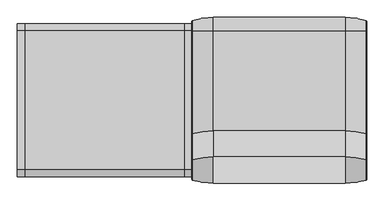
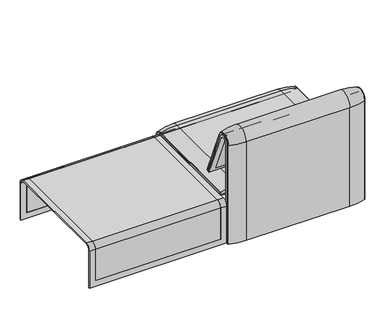
"""IFC4 building model written with IfcOpenShell, lengths in millimetres: furniture geometry."""

from ifc_helpers import new_model, si_unit, point, frame, frame_2d, origin, place, context, project, spatial, polyline, circle_curve, ellipse_curve, trimmed, segment, composite_curve, outline, extrude, source, transform, mapped, element, save
from ifc_brep_helpers import plane_surface, cylinder_surface, revolved_surface, advanced_brep


def furniture_4f3b5b6c(model_context):
    return source(origin(), model_context, "Body", "SolidModel", [
        advanced_brep(
        [(407.9906244, -295.0, 359.922434), (1223.9718733, -295.0, 359.922434), (1223.9718733, -295.0, 366.172434), (407.9906244, -295.0, 366.172434), (407.9906244, 357.5, 333.0583003), (442.8906244, 357.5, 333.0583003), (442.8906244, 357.5, 135.3766997), (1189.0718733, 357.5, 135.3766997), (1189.0718733, 357.5, 333.0583003), (1223.9718733, 357.5, 333.0583003), (1223.9718733, 357.5, 100.5089435), (407.9906244, 357.5, 100.5089435), (407.9906244, 323.7517936, 359.922434), (442.8906244, 323.7517936, 359.922434), (442.8906244, -260.0, 359.922434), (1189.0718733, -260.0, 359.922434), (1189.0718733, 323.7517936, 359.922434), (1223.9718733, 323.7517936, 359.922434), (1189.0718733, 351.0, 135.3766997), (1189.0718733, 351.0, 332.6742277), (1189.0718733, -260.0, 366.172434), (1189.0718733, 324.3858663, 366.172434), (442.8906244, -260.0, 366.172434), (407.9906244, 324.3858663, 366.172434), (407.9906244, 351.0, 100.5089435), (407.9906244, 351.0, 332.6742277), (1223.9718733, 351.0, 332.6742277), (1223.9718733, 351.0, 100.5089435), (1223.9718733, 324.3858663, 366.172434), (442.8906244, 324.3858663, 366.172434), (442.8906244, 351.0, 135.3766997), (442.8906244, 351.0, 332.6742277)],
        [
            (0, 1),
            (1, 2),
            (2, 3),
            (3, 0),
            (4, 5),
            (5, 6),
            (6, 7),
            (7, 8),
            (8, 9),
            (9, 10),
            (10, 11),
            (11, 4),
            (12, 13),
            (13, 14),
            (14, 15),
            (15, 16),
            (16, 17),
            (17, 1),
            (0, 12),
            (18, 19),
            (19, 16, circle_curve(frame((1189.0718733, 323.7517936, 332.6742277), z_axis=(1.0, 0.0, 0.0), x_axis=(0.0, 1.0, 0.0)), 27.2482064)),
            (15, 20),
            (20, 21),
            (21, 8, circle_curve(frame((1189.0718733, 324.3858663, 333.0583003), z_axis=(-1.0, 0.0, 0.0), x_axis=(0.0, 1.0, 0.0)), 33.1141337)),
            (7, 18),
            (22, 20),
            (14, 22),
            (3, 23),
            (23, 4, circle_curve(frame((407.9906244, 324.3858663, 333.0583003), z_axis=(-1.0, 0.0, 0.0), x_axis=(0.0, 1.0, 0.0)), 33.1141337)),
            (11, 24),
            (24, 25),
            (25, 12, circle_curve(frame((407.9906244, 323.7517936, 332.6742277), z_axis=(1.0, 0.0, 0.0), x_axis=(0.0, 1.0, 0.0)), 27.2482064)),
            (17, 26, circle_curve(frame((1223.9718733, 323.7517936, 332.6742277), z_axis=(-1.0, 0.0, 0.0), x_axis=(0.0, 1.0, 0.0)), 27.2482064)),
            (26, 27),
            (27, 10),
            (9, 28, circle_curve(frame((1223.9718733, 324.3858663, 333.0583003), z_axis=(1.0, 0.0, 0.0), x_axis=(0.0, 1.0, 0.0)), 33.1141337)),
            (28, 2),
            (28, 21),
            (22, 29),
            (29, 23),
            (29, 5, circle_curve(frame((442.8906244, 324.3858663, 333.0583003), z_axis=(-1.0, 0.0, 0.0), x_axis=(0.0, 1.0, 0.0)), 33.1141337)),
            (27, 24),
            (26, 19),
            (18, 30),
            (30, 31),
            (31, 25),
            (31, 13, circle_curve(frame((442.8906244, 323.7517936, 332.6742277), z_axis=(1.0, 0.0, 0.0), x_axis=(0.0, 1.0, 0.0)), 27.2482064)),
            (30, 6),
        ],
        [
            plane_surface(frame((407.9906244, -295.0, 366.172434), z_axis=(0.0, -1.0, 0.0), x_axis=(1.0, 0.0, 0.0))),
            plane_surface(frame((407.9906244, 357.5, 100.5089435), z_axis=(0.0, 1.0, 0.0), x_axis=(1.0, 0.0, 0.0))),
            plane_surface(frame((407.9906244, -295.0, 359.922434), z_axis=(0.0, 0.0, -1.0), x_axis=(1.0, 0.0, 0.0))),
            plane_surface(frame((1189.0718733, 296.9265415, 359.922434), z_axis=(-1.0, 0.0, 0.0), x_axis=(0.0, -1.0, 0.0))),
            plane_surface(frame((442.8906244, -260.0, 366.172434), z_axis=(0.0, 1.0, 0.0), x_axis=(1.0, 0.0, 0.0))),
            plane_surface(frame((407.9906244, 296.9265415, 359.922434), z_axis=(-1.0, 0.0, 0.0), x_axis=(0.0, 1.0, 0.0))),
            plane_surface(frame((1223.9718733, 296.9265415, 359.922434), z_axis=(1.0, 0.0, 0.0), x_axis=(0.0, -1.0, 0.0))),
            plane_surface(frame((407.9906244, 324.3858663, 366.172434), z_axis=(0.0, 0.0, 1.0), x_axis=(1.0, 0.0, 0.0))),
            cylinder_surface(frame((1223.9718733, 324.3858663, 333.0583003), z_axis=(-1.0, 0.0, 0.0), x_axis=(0.0, 1.0, 0.0)), 33.1141337),
            plane_surface(frame((407.9906244, 351.0, 100.5089435), z_axis=(0.0, 0.0, -1.0), x_axis=(1.0, 0.0, 0.0))),
            plane_surface(frame((407.9906244, 351.0, 332.6742277), z_axis=(0.0, -1.0, 0.0), x_axis=(1.0, 0.0, 0.0))),
            revolved_surface(polyline([(442.8906244, 351.0, 332.6742277), (407.9906244, 351.0, 332.6742277)]), (1223.9718733, 323.7517936, 332.6742277), (1.0, 0.0, 0.0)),
            revolved_surface(polyline([(1223.9718733, 351.0, 332.6742277), (1189.0718733, 351.0, 332.6742277)]), (1223.9718733, 323.7517936, 332.6742277), (1.0, 0.0, 0.0)),
            plane_surface(frame((442.8906244, 296.9265415, 359.922434), z_axis=(1.0, 0.0, 0.0), x_axis=(0.0, 1.0, 0.0))),
            plane_surface(frame((442.8906244, 351.0, 135.3766997), z_axis=(0.0, 0.0, 1.0), x_axis=(1.0, 0.0, 0.0))),
        ],
        [
            (0, [[1, 2, 3, 4]]),
            (1, [[5, 6, 7, 8, 9, 10, 11, 12]]),
            (2, [[13, 14, 15, 16, 17, 18, -1, 19]]),
            (3, [[20, 21, -16, 22, 23, 24, -8, 25]]),
            (4, [[26, -22, -15, 27]]),
            (5, [[-4, 28, 29, -12, 30, 31, 32, -19]]),
            (6, [[-18, 33, 34, 35, -10, 36, 37, -2]]),
            (7, [[-3, -37, 38, -23, -26, 39, 40, -28]]),
            (8, [[-40, 41, -5, -29]]),
            (8, [[-9, -24, -38, -36]]),
            (9, [[-11, -35, 42, -30]]),
            (10, [[-42, -34, 43, -20, 44, 45, 46, -31]]),
            (11, [[-46, 47, -13, -32]]),
            (12, [[-17, -21, -43, -33]]),
            (13, [[-14, -47, -45, 48, -6, -41, -39, -27]]),
            (14, [[-44, -25, -7, -48]]),
        ],
    ),
        extrude(outline(composite_curve([segment(polyline([(-260.0, 359.922434), (-260.0, 366.172434), (324.3858663, 366.172434)]), True, "CONTINUOUS"), segment(trimmed(circle_curve(frame_2d((324.3858663, 333.0583003)), 33.1141337), [point((324.3858663, 366.172434))], [point((357.5, 333.0583003))], False, "CARTESIAN"), True, "CONTINUOUS"), segment(polyline([(357.5, 333.0583003), (357.5, 135.3766997), (351.0, 135.3766997), (351.0, 332.6742277)]), True, "CONTINUOUS"), segment(trimmed(circle_curve(frame_2d((323.7517936, 332.6742277)), 27.2482064), [point((351.0, 332.6742277))], [point((323.7517936, 359.922434))], True, "CARTESIAN"), True, "CONTINUOUS"), segment(polyline([(323.7517936, 359.922434), (-260.0, 359.922434)]), True, "CONTINUOUS")], self_intersect=False)), frame((442.8906244, 0.0, 0.0), z_axis=(1.0, 0.0, 0.0), x_axis=(0.0, 1.0, 0.0)), (0.0, 0.0, 1.0), 746.1812488),
        advanced_brep(
        [(407.9906244, 368.7793679, 100.5089435), (410.1292529, 371.6530483, 100.5089435), (507.9906244, 386.0043559, 100.5089435), (1123.9718733, 386.0043559, 100.5089435), (1221.8332448, 371.6530483, 100.5089435), (1223.9718733, 368.7793679, 100.5089435), (1223.9718733, 357.5, 100.5089435), (407.9906244, 357.5, 100.5089435), (407.9906244, -295.0, 377.4518019), (407.9906244, -295.0, 366.172434), (1223.9718733, -295.0, 366.172434), (1223.9718733, -295.0, 377.4518019), (1221.8332448, -295.0, 380.3254823), (1123.9718733, -295.0, 394.67679), (507.9906244, -295.0, 394.67679), (410.1292529, -295.0, 380.3254823), (407.9906244, 357.5, 333.0583003), (407.9906244, 324.3858663, 366.172434), (407.9906244, 324.3858663, 377.4518019), (407.9906244, 368.7793679, 333.0583003), (1223.9718733, 357.5, 333.0583003), (507.9906244, 386.0043559, 333.0583003), (1123.9718733, 386.0043559, 333.0583003), (410.1292529, 371.6530483, 333.0583003), (1223.9718733, 324.3858663, 366.172434), (507.9906244, 324.3858663, 394.67679), (1123.9718733, 324.3858663, 394.67679), (410.1292529, 324.3858663, 380.3254823), (1223.9718733, 368.7793679, 333.0583003), (1223.9718733, 324.3858663, 377.4518019), (1221.8332448, 371.6530483, 333.0583003), (1221.8332448, 324.3858663, 380.3254823)],
        [
            (0, 1, circle_curve(frame((410.9906244, 368.7793679, 100.5089435), z_axis=(0.0, 0.0, -1.0), x_axis=(1.0, 0.0, 0.0)), 3.0)),
            (1, 2, circle_curve(frame((507.9906244, 45.1710226, 100.5089435), z_axis=(0.0, 0.0, -1.0), x_axis=(0.0, -1.0, 0.0)), 340.8333333)),
            (2, 3),
            (3, 4, circle_curve(frame((1123.9718733, 45.1710226, 100.5089435), z_axis=(0.0, 0.0, -1.0), x_axis=(0.0, -1.0, 0.0)), 340.8333333)),
            (4, 5, circle_curve(frame((1220.9718733, 368.7793679, 100.5089435), z_axis=(0.0, 0.0, -1.0), x_axis=(-1.0, 0.0, 0.0)), 3.0)),
            (5, 6),
            (6, 7),
            (7, 0),
            (8, 9),
            (9, 10),
            (10, 11),
            (11, 12, circle_curve(frame((1220.9718733, -295.0, 377.4518019), z_axis=(0.0, -1.0, 0.0), x_axis=(-1.0, 0.0, 0.0)), 3.0)),
            (12, 13, circle_curve(frame((1123.9718733, -295.0, 53.8434566), z_axis=(0.0, -1.0, 0.0), x_axis=(0.0, 0.0, -1.0)), 340.8333333)),
            (13, 14),
            (14, 15, circle_curve(frame((507.9906244, -295.0, 53.8434566), z_axis=(0.0, -1.0, 0.0), x_axis=(0.0, 0.0, -1.0)), 340.8333333)),
            (15, 8, circle_curve(frame((410.9906244, -295.0, 377.4518019), z_axis=(0.0, -1.0, 0.0), x_axis=(1.0, 0.0, 0.0)), 3.0)),
            (7, 16),
            (16, 17, circle_curve(frame((407.9906244, 324.3858663, 333.0583003), z_axis=(1.0, 0.0, 0.0), x_axis=(0.0, 1.0, 0.0)), 33.1141337)),
            (17, 9),
            (8, 18),
            (18, 19, circle_curve(frame((407.9906244, 324.3858663, 333.0583003), z_axis=(-1.0, 0.0, 0.0), x_axis=(0.0, 1.0, 0.0)), 44.3935016)),
            (19, 0),
            (6, 20),
            (20, 16),
            (2, 21),
            (21, 22),
            (22, 3),
            (1, 23),
            (23, 21, circle_curve(frame((507.9906244, 45.1710226, 333.0583003), z_axis=(0.0, 0.0, -1.0), x_axis=(0.0, -1.0, 0.0)), 340.8333333)),
            (19, 23, circle_curve(frame((410.9906244, 368.7793679, 333.0583003), z_axis=(0.0, 0.0, -1.0), x_axis=(1.0, 0.0, 0.0)), 3.0)),
            (24, 17),
            (20, 24, circle_curve(frame((1223.9718733, 324.3858663, 333.0583003), z_axis=(1.0, 0.0, 0.0), x_axis=(0.0, 1.0, 0.0)), 33.1141337)),
            (25, 26),
            (26, 22, circle_curve(frame((1123.9718733, 324.3858663, 333.0583003), z_axis=(-1.0, 0.0, 0.0), x_axis=(0.0, 1.0, 0.0)), 61.6184897)),
            (21, 25, circle_curve(frame((507.9906244, 324.3858663, 333.0583003), z_axis=(1.0, 0.0, 0.0), x_axis=(0.0, 1.0, 0.0)), 61.6184897)),
            (27, 25, circle_curve(frame((507.9906244, 324.3858663, 53.8434566), z_axis=(0.0, 1.0, 0.0), x_axis=(0.0, 0.0, -1.0)), 340.8333333)),
            (23, 27, circle_curve(frame((410.1292529, 324.3858663, 333.0583003), z_axis=(1.0, 0.0, 0.0), x_axis=(0.0, 1.0, 0.0)), 47.267182)),
            (18, 27, circle_curve(frame((410.9906244, 324.3858663, 377.4518019), z_axis=(0.0, 1.0, 0.0), x_axis=(1.0, 0.0, 0.0)), 3.0)),
            (24, 10),
            (25, 14),
            (13, 26),
            (27, 15),
            (5, 28),
            (28, 29, circle_curve(frame((1223.9718733, 324.3858663, 333.0583003), z_axis=(1.0, 0.0, 0.0), x_axis=(0.0, 1.0, 0.0)), 44.3935016)),
            (29, 11),
            (4, 30),
            (30, 28, circle_curve(frame((1220.9718733, 368.7793679, 333.0583003), z_axis=(0.0, 0.0, -1.0), x_axis=(-1.0, 0.0, 0.0)), 3.0)),
            (22, 30, circle_curve(frame((1123.9718733, 45.1710226, 333.0583003), z_axis=(0.0, 0.0, -1.0), x_axis=(0.0, -1.0, 0.0)), 340.8333333)),
            (31, 29, circle_curve(frame((1220.9718733, 324.3858663, 377.4518019), z_axis=(0.0, 1.0, 0.0), x_axis=(-1.0, 0.0, 0.0)), 3.0)),
            (30, 31, circle_curve(frame((1221.8332448, 324.3858663, 333.0583003), z_axis=(1.0, 0.0, 0.0), x_axis=(0.0, 1.0, 0.0)), 47.267182)),
            (26, 31, circle_curve(frame((1123.9718733, 324.3858663, 53.8434566), z_axis=(0.0, 1.0, 0.0), x_axis=(0.0, 0.0, -1.0)), 340.8333333)),
            (31, 12),
        ],
        [
            plane_surface(frame((407.9906244, 357.5, 100.5089435), z_axis=(0.0, 0.0, -1.0), x_axis=(1.0, 0.0, 0.0))),
            plane_surface(frame((407.9906244, -295.0, 366.172434), z_axis=(0.0, -1.0, 0.0), x_axis=(1.0, 0.0, 0.0))),
            plane_surface(frame((407.9906244, 368.7793679, 100.5089435), z_axis=(-1.0, 0.0, 0.0), x_axis=(0.0, 0.0, 1.0))),
            plane_surface(frame((407.9906244, 357.5, 100.5089435), z_axis=(0.0, -1.0, 0.0), x_axis=(0.0, 0.0, 1.0))),
            plane_surface(frame((1123.9718733, 386.0043559, 100.5089435), z_axis=(0.0, 1.0, 0.0), x_axis=(0.0, 0.0, 1.0))),
            cylinder_surface(frame((507.9906244, 45.1710226, 100.5089435), z_axis=(0.0, 0.0, -1.0), x_axis=(0.0, -1.0, 0.0)), 340.8333333),
            cylinder_surface(frame((410.9906244, 368.7793679, 100.5089435), z_axis=(0.0, 0.0, -1.0), x_axis=(1.0, 0.0, 0.0)), 3.0),
            revolved_surface(polyline([(407.9906244, 357.5, 333.0583003), (1223.9718733, 357.5, 333.0583003)]), (407.9906244, 324.3858663, 333.0583003), (-1.0, 0.0, 0.0)),
            cylinder_surface(frame((407.9906244, 324.3858663, 333.0583003), z_axis=(-1.0, 0.0, 0.0), x_axis=(0.0, 1.0, 0.0)), 61.6184897),
            revolved_surface(trimmed(ellipse_curve(frame((507.9906244, 45.1710226, 333.0583003), z_axis=(0.0, 0.0, 1.0), x_axis=(0.0, -1.0, 0.0)), 340.8333333, 340.8333333), [point((507.9906244, 386.0043559, 333.0583003))], [point((410.1292529, 371.6530483, 333.0583003))], True, "CARTESIAN"), (407.9906244, 324.3858663, 333.0583003), (-1.0, 0.0, 0.0)),
            revolved_surface(trimmed(ellipse_curve(frame((410.9906244, 368.7793679, 333.0583003), z_axis=(0.0, 0.0, 1.0), x_axis=(1.0, 0.0, 0.0)), 3.0, 3.0), [point((410.1292529, 371.6530483, 333.0583003))], [point((407.9906244, 368.7793679, 333.0583003))], True, "CARTESIAN"), (407.9906244, 324.3858663, 333.0583003), (-1.0, 0.0, 0.0)),
            plane_surface(frame((407.9906244, 324.3858663, 366.172434), z_axis=(0.0, 0.0, -1.0), x_axis=(0.0, -1.0, 0.0))),
            plane_surface(frame((1123.9718733, 324.3858663, 394.67679), z_axis=(0.0, 0.0, 1.0), x_axis=(0.0, -1.0, 0.0))),
            cylinder_surface(frame((507.9906244, 324.3858663, 53.8434566), z_axis=(0.0, 1.0, 0.0), x_axis=(0.0, 0.0, -1.0)), 340.8333333),
            cylinder_surface(frame((410.9906244, 324.3858663, 377.4518019), z_axis=(0.0, 1.0, 0.0), x_axis=(1.0, 0.0, 0.0)), 3.0),
            plane_surface(frame((1223.9718733, 357.5, 100.5089435), z_axis=(1.0, 0.0, 0.0), x_axis=(0.0, 0.0, 1.0))),
            cylinder_surface(frame((1220.9718733, 368.7793679, 100.5089435), z_axis=(0.0, 0.0, -1.0), x_axis=(-1.0, 0.0, 0.0)), 3.0),
            cylinder_surface(frame((1123.9718733, 45.1710226, 100.5089435), z_axis=(0.0, 0.0, -1.0), x_axis=(0.0, -1.0, 0.0)), 340.8333333),
            revolved_surface(trimmed(ellipse_curve(frame((1220.9718733, 368.7793679, 333.0583003), z_axis=(0.0, 0.0, 1.0), x_axis=(-1.0, 0.0, 0.0)), 3.0, 3.0), [point((1223.9718733, 368.7793679, 333.0583003))], [point((1221.8332448, 371.6530483, 333.0583003))], True, "CARTESIAN"), (407.9906244, 324.3858663, 333.0583003), (-1.0, 0.0, 0.0)),
            revolved_surface(trimmed(ellipse_curve(frame((1123.9718733, 45.1710226, 333.0583003), z_axis=(0.0, 0.0, 1.0), x_axis=(0.0, -1.0, 0.0)), 340.8333333, 340.8333333), [point((1221.8332448, 371.6530483, 333.0583003))], [point((1123.9718733, 386.0043559, 333.0583003))], True, "CARTESIAN"), (407.9906244, 324.3858663, 333.0583003), (-1.0, 0.0, 0.0)),
            cylinder_surface(frame((1220.9718733, 324.3858663, 377.4518019), z_axis=(0.0, 1.0, 0.0), x_axis=(-1.0, 0.0, 0.0)), 3.0),
            cylinder_surface(frame((1123.9718733, 324.3858663, 53.8434566), z_axis=(0.0, 1.0, 0.0), x_axis=(0.0, 0.0, -1.0)), 340.8333333),
        ],
        [
            (0, [[1, 2, 3, 4, 5, 6, 7, 8]]),
            (1, [[9, 10, 11, 12, 13, 14, 15, 16]]),
            (2, [[17, 18, 19, -9, 20, 21, 22, -8]]),
            (3, [[23, 24, -17, -7]]),
            (4, [[25, 26, 27, -3]]),
            (5, [[28, 29, -25, -2]]),
            (6, [[-22, 30, -28, -1]]),
            (7, [[31, -18, -24, 32]]),
            (8, [[33, 34, -26, 35]]),
            (9, [[36, -35, -29, 37]]),
            (10, [[38, -37, -30, -21]]),
            (11, [[39, -10, -19, -31]]),
            (12, [[40, -14, 41, -33]]),
            (13, [[42, -15, -40, -36]]),
            (14, [[-20, -16, -42, -38]]),
            (15, [[43, 44, 45, -11, -39, -32, -23, -6]]),
            (16, [[46, 47, -43, -5]]),
            (17, [[-27, 48, -46, -4]]),
            (18, [[49, -44, -47, 50]]),
            (19, [[51, -50, -48, -34]]),
            (20, [[52, -12, -45, -49]]),
            (21, [[-41, -13, -52, -51]]),
        ],
    ),
        advanced_brep(
        [(1189.0718733, -176.0980387, 452.25948), (442.8906244, -176.0980387, 452.25948), (442.8906244, -181.0136548, 450.2250668), (1189.0718733, -181.0136548, 450.2250668), (1223.9884174, -351.0000061, 101.8476716), (408.0071685, -351.0000061, 101.8476716), (408.0071685, -351.0000061, 712.9272623), (442.8906244, -351.0000061, 712.9272623), (442.8906244, -351.0000061, 135.3766997), (1189.0718733, -351.0000061, 135.3766997), (1189.0718733, -351.0000061, 712.9272623), (1223.9884174, -351.0000061, 712.9272623), (1223.9884174, -296.2720241, 723.9759107), (1223.9884174, -175.0204081, 435.9866665), (1223.9884174, -170.1966807, 437.98305), (1223.9884174, -292.4403877, 733.7122262), (1223.9884174, -359.7858817, 720.3417731), (1223.9884174, -359.7858817, 101.8476716), (408.0071685, -359.7858817, 101.8476716), (408.0071685, -359.7858817, 720.3417731), (408.0071685, -292.4403877, 733.7122262), (408.0071685, -170.1966807, 437.98305), (408.0071685, -175.0204081, 435.9866665), (408.0071685, -296.2458652, 723.9869215), (442.8906244, -292.4403877, 733.7122262), (1189.0718733, -292.4403877, 733.7122262), (1189.0718733, -296.2458652, 723.9869215), (442.8906244, -296.2458652, 723.9869215), (1189.0718733, -359.7858817, 720.3417731), (1189.0718733, -359.7858817, 135.3766997), (442.8906244, -359.7858817, 135.3766997), (442.8906244, -359.7858817, 720.3417731)],
        [
            (0, 1),
            (1, 2),
            (2, 3),
            (3, 0),
            (4, 5),
            (5, 6),
            (6, 7),
            (7, 8),
            (8, 9),
            (9, 10),
            (10, 11),
            (11, 4),
            (11, 12, circle_curve(frame((1223.9884174, -322.520748, 712.9272623), z_axis=(-1.0, 0.0, 0.0), x_axis=(0.0, 1.0, 0.0)), 28.479258)),
            (12, 13),
            (13, 14),
            (14, 15),
            (15, 16, circle_curve(frame((1223.9884174, -324.7858817, 720.3417731), z_axis=(1.0, 0.0, 0.0), x_axis=(0.0, 1.0, 0.0)), 35.0)),
            (16, 17),
            (17, 4),
            (5, 18),
            (18, 19),
            (19, 20, circle_curve(frame((408.0071685, -324.7858817, 720.3417731), z_axis=(-1.0, 0.0, 0.0), x_axis=(0.0, 1.0, 0.0)), 35.0)),
            (20, 21),
            (21, 22),
            (22, 23),
            (23, 6, circle_curve(frame((408.0071685, -322.520748, 712.9272623), z_axis=(1.0, 0.0, 0.0), x_axis=(0.0, 1.0, 0.0)), 28.479258)),
            (14, 21),
            (20, 24),
            (24, 1),
            (0, 25),
            (25, 15),
            (13, 22),
            (12, 26),
            (26, 3),
            (2, 27),
            (27, 23),
            (17, 18),
            (16, 28),
            (28, 29),
            (29, 30),
            (30, 31),
            (31, 19),
            (31, 24, circle_curve(frame((442.8906244, -324.7858817, 720.3417731), z_axis=(-1.0, 0.0, 0.0), x_axis=(0.0, 1.0, 0.0)), 35.0)),
            (25, 28, circle_curve(frame((1189.0718733, -324.7858817, 720.3417731), z_axis=(1.0, 0.0, 0.0), x_axis=(0.0, 1.0, 0.0)), 35.0)),
            (27, 7, circle_curve(frame((442.8906244, -322.520748, 712.9272623), z_axis=(1.0, 0.0, 0.0), x_axis=(0.0, 1.0, 0.0)), 28.479258)),
            (10, 26, circle_curve(frame((1189.0718733, -322.520748, 712.9272623), z_axis=(-1.0, 0.0, 0.0), x_axis=(0.0, 1.0, 0.0)), 28.479258)),
            (9, 29),
            (30, 8),
        ],
        [
            plane_surface(frame((1189.0718733, -166.9120641, 456.0612553), z_axis=(0.0, -0.38241039441982605, 0.9239925812687422), x_axis=(-1.0, 0.0, 0.0))),
            plane_surface(frame((1223.9884174, -351.0000061, 712.9272623), z_axis=(0.0, 1.0, 0.0), x_axis=(-1.0, 0.0, 0.0))),
            plane_surface(frame((1223.9884174, -359.7858817, 101.8476716), z_axis=(1.0, 0.0, 0.0), x_axis=(0.0, -1.0, 0.0))),
            plane_surface(frame((408.0071685, -359.7858817, 101.8476716), z_axis=(-1.0, 0.0, 0.0), x_axis=(0.0, 1.0, 0.0))),
            plane_surface(frame((1223.9884174, -292.4403877, 733.7122262), z_axis=(0.0, 0.9241569717933176, 0.3820129467515535), x_axis=(-1.0, 0.0, 0.0))),
            plane_surface(frame((1223.9884174, -170.1966807, 437.98305), z_axis=(0.0, 0.38241039441983893, -0.9239925812687368), x_axis=(-1.0, 0.0, 0.0))),
            plane_surface(frame((1223.9884174, -175.0204081, 435.9866665), z_axis=(0.0, -0.921678643444566, -0.3879542218073993), x_axis=(-1.0, 0.0, 0.0))),
            plane_surface(frame((1223.9884174, -351.0000061, 101.8476716), z_axis=(0.0, 0.0, -1.0), x_axis=(-1.0, 0.0, 0.0))),
            plane_surface(frame((1223.9884174, -359.7858817, 101.8476716), z_axis=(0.0, -1.0, 0.0), x_axis=(-1.0, 0.0, 0.0))),
            cylinder_surface(frame((408.0071685, -324.7858817, 720.3417731), z_axis=(1.0, 0.0, 0.0), x_axis=(0.0, 1.0, 0.0)), 35.0),
            revolved_surface(polyline([(408.0071685, -294.04149, 712.9272623), (442.8906244, -294.04149, 712.9272623)]), (408.0071685, -322.520748, 712.9272623), (-1.0, 0.0, 0.0)),
            revolved_surface(polyline([(1189.0718733, -294.04149, 712.9272623), (1223.9884174, -294.04149, 712.9272623)]), (408.0071685, -322.520748, 712.9272623), (-1.0, 0.0, 0.0)),
            plane_surface(frame((1189.0718733, -359.7858817, 135.3766997), z_axis=(-1.0, 0.0, 0.0), x_axis=(0.0, -1.0, 0.0))),
            plane_surface(frame((442.8906244, -359.7858817, 135.3766997), z_axis=(1.0, 0.0, 0.0), x_axis=(0.0, 1.0, 0.0))),
            plane_surface(frame((1189.0718733, -344.7858817, 135.3766997), z_axis=(0.0, 0.0, 1.0), x_axis=(-1.0, 0.0, 0.0))),
        ],
        [
            (0, [[1, 2, 3, 4]]),
            (1, [[5, 6, 7, 8, 9, 10, 11, 12]]),
            (2, [[-12, 13, 14, 15, 16, 17, 18, 19]]),
            (3, [[20, 21, 22, 23, 24, 25, 26, -6]]),
            (4, [[27, -23, 28, 29, -1, 30, 31, -16]]),
            (5, [[32, -24, -27, -15]]),
            (6, [[33, 34, -3, 35, 36, -25, -32, -14]]),
            (7, [[37, -20, -5, -19]]),
            (8, [[38, 39, 40, 41, 42, -21, -37, -18]]),
            (9, [[-42, 43, -28, -22]]),
            (9, [[-31, 44, -38, -17]]),
            (10, [[-36, 45, -7, -26]]),
            (11, [[-11, 46, -33, -13]]),
            (12, [[-34, -46, -10, 47, -39, -44, -30, -4]]),
            (13, [[-8, -45, -35, -2, -29, -43, -41, 48]]),
            (14, [[-9, -48, -40, -47]]),
        ],
    ),
        advanced_brep(
        [(442.8906244, -351.0000061, 135.3766997), (442.8906244, -359.7858817, 135.3766997), (442.8906244, -359.7858817, 720.3417731), (442.8906244, -292.4403877, 733.7122262), (442.8906244, -176.0980387, 452.25948), (442.8906244, -181.0136548, 450.2250668), (442.8906244, -296.2458652, 723.9869215), (442.8906244, -351.0000061, 712.9272623), (1189.0718733, -176.0980387, 452.25948), (1189.0718733, -292.4403877, 733.7122262), (1189.0718733, -181.0136548, 450.2250668), (1189.0718733, -296.2458652, 723.9869215), (1189.0718733, -351.0000061, 135.3766997), (1189.0718733, -351.0000061, 712.9272623), (1189.0718733, -359.7858817, 720.3417731), (1189.0718733, -359.7858817, 135.3766997)],
        [
            (0, 1),
            (1, 2),
            (2, 3, circle_curve(frame((442.8906244, -324.7858817, 720.3417731), z_axis=(-1.0, 0.0, 0.0), x_axis=(0.0, 1.0, 0.0)), 35.0)),
            (3, 4),
            (4, 5),
            (5, 6),
            (6, 7, circle_curve(frame((442.8906244, -322.520748, 712.9272623), z_axis=(1.0, 0.0, 0.0), x_axis=(0.0, 1.0, 0.0)), 28.479258)),
            (7, 0),
            (8, 4),
            (3, 9),
            (9, 8),
            (10, 5),
            (8, 10),
            (11, 6),
            (10, 11),
            (12, 0),
            (7, 13),
            (13, 12),
            (13, 11, circle_curve(frame((1189.0718733, -322.520748, 712.9272623), z_axis=(-1.0, 0.0, 0.0), x_axis=(0.0, 1.0, 0.0)), 28.479258)),
            (9, 14, circle_curve(frame((1189.0718733, -324.7858817, 720.3417731), z_axis=(1.0, 0.0, 0.0), x_axis=(0.0, 1.0, 0.0)), 35.0)),
            (14, 15),
            (15, 12),
            (15, 1),
            (14, 2),
        ],
        [
            plane_surface(frame((442.8906244, -359.7858817, 135.3766997), z_axis=(-1.0, 0.0, 0.0), x_axis=(0.0, 1.0, 0.0))),
            plane_surface(frame((1189.0718733, -292.4403877, 733.7122262), z_axis=(0.0, 0.9241569717933176, 0.3820129467515535), x_axis=(-1.0, 0.0, 0.0))),
            plane_surface(frame((1189.0718733, -176.0980387, 452.25948), z_axis=(0.0, 0.38241039441982716, -0.9239925812687417), x_axis=(-1.0, 0.0, 0.0))),
            plane_surface(frame((1189.0718733, -181.0136548, 450.2250668), z_axis=(0.0, -0.921678643444566, -0.3879542218073993), x_axis=(-1.0, 0.0, 0.0))),
            plane_surface(frame((1189.0718733, -351.0000061, 712.9272623), z_axis=(0.0, 1.0, 0.0), x_axis=(-1.0, 0.0, 0.0))),
            plane_surface(frame((1189.0718733, -359.7858817, 135.3766997), z_axis=(1.0, 0.0, 0.0), x_axis=(0.0, -1.0, 0.0))),
            plane_surface(frame((1189.0718733, -351.0000061, 135.3766997), z_axis=(0.0, 0.0, -1.0), x_axis=(-1.0, 0.0, 0.0))),
            plane_surface(frame((1189.0718733, -359.7858817, 135.3766997), z_axis=(0.0, -1.0, 0.0), x_axis=(-1.0, 0.0, 0.0))),
            cylinder_surface(frame((442.8906244, -324.7858817, 720.3417731), z_axis=(1.0, 0.0, 0.0), x_axis=(0.0, 1.0, 0.0)), 35.0),
            revolved_surface(polyline([(442.8906244, -294.04149, 712.9272623), (1189.0718733, -294.04149, 712.9272623)]), (442.8906244, -322.520748, 712.9272623), (-1.0, 0.0, 0.0)),
        ],
        [
            (0, [[1, 2, 3, 4, 5, 6, 7, 8]]),
            (1, [[9, -4, 10, 11]]),
            (2, [[12, -5, -9, 13]]),
            (3, [[14, -6, -12, 15]]),
            (4, [[16, -8, 17, 18]]),
            (5, [[-18, 19, -15, -13, -11, 20, 21, 22]]),
            (6, [[23, -1, -16, -22]]),
            (7, [[24, -2, -23, -21]]),
            (8, [[-10, -3, -24, -20]]),
            (9, [[-17, -7, -14, -19]]),
        ],
    ),
        extrude(outline(composite_curve([segment(polyline([(-305.0000061, 349.9223263), (-285.0000061, 349.9223263)]), True, "CONTINUOUS"), segment(trimmed(circle_curve(frame_2d((-285.0000061, 359.9223263)), 10.0), [point((-285.0000061, 349.9223263))], [point((-275.0000061, 359.9223263))], True, "CARTESIAN"), True, "CONTINUOUS"), segment(polyline([(-275.0000061, 359.9223263), (-270.0000061, 359.9223263), (-270.0000061, 299.9223263), (-309.4476, 299.9223263)]), True, "CONTINUOUS"), segment(trimmed(circle_curve(frame_2d((-309.4476, 269.9223263)), 30.0), [point((-309.4476, 299.9223263))], [point((-339.4064861, 271.492405))], True, "CARTESIAN"), True, "CONTINUOUS"), segment(polyline([(-339.4064861, 271.492405), (-343.3075759, 197.0551771), (-351.0000061, 197.0551771), (-351.0000061, 712.9272623)]), True, "CONTINUOUS"), segment(trimmed(circle_curve(frame_2d((-322.520748, 712.9272623)), 28.479258), [point((-351.0000061, 712.9272623))], [point((-296.3054528, 724.0549949))], False, "CARTESIAN"), True, "CONTINUOUS"), segment(polyline([(-296.3054528, 724.0549949), (-213.7507451, 529.5682915), (-222.2725218, 526.5505721), (-238.0355877, 560.3545758)]), True, "CONTINUOUS"), segment(trimmed(circle_curve(frame_2d((-251.6302045, 554.0153019)), 15.0), [point((-238.0355877, 560.3545758))], [point((-257.4911714, 567.8228747))], True, "CARTESIAN"), True, "CONTINUOUS"), segment(polyline([(-257.4911714, 567.8228747), (-316.7219399, 542.6809051)]), True, "CONTINUOUS"), segment(trimmed(circle_curve(frame_2d((-305.0000061, 515.0657595)), 30.0), [point((-316.7219399, 542.6809051))], [point((-335.0000061, 515.0657595))], True, "CARTESIAN"), True, "CONTINUOUS"), segment(polyline([(-335.0000061, 515.0657595), (-335.0000061, 379.9223263)]), True, "CONTINUOUS"), segment(trimmed(circle_curve(frame_2d((-305.0000061, 379.9223263)), 30.0), [point((-335.0000061, 379.9223263))], [point((-305.0000061, 349.9223263))], True, "CARTESIAN"), True, "CONTINUOUS")], self_intersect=False), holes=[composite_curve([segment(trimmed(circle_curve(frame_2d((-319.9867182, 576.3274105)), 17.5132879), [point((-337.5000061, 576.3274105))], [point((-314.1406626, 559.8186587))], True, "CARTESIAN"), True, "CONTINUOUS"), segment(polyline([(-314.1406626, 559.8186587), (-265.0756376, 577.1934953)]), True, "CONTINUOUS"), segment(trimmed(circle_curve(frame_2d((-271.7517748, 596.0463251)), 20.0), [point((-265.0756376, 577.1934953))], [point((-253.6256191, 604.4986904))], True, "CARTESIAN"), True, "CONTINUOUS"), segment(polyline([(-253.6256191, 604.4986904), (-308.9053893, 723.0465402)]), True, "CONTINUOUS"), segment(trimmed(circle_curve(frame_2d((-322.5000061, 716.7072663)), 15.0), [point((-308.9053893, 723.0465402))], [point((-337.5000061, 716.7072663))], True, "CARTESIAN"), True, "CONTINUOUS"), segment(polyline([(-337.5000061, 716.7072663), (-337.5000061, 576.3274105)]), True, "CONTINUOUS")], self_intersect=False)]), frame((1060.9760457, 0.0, 0.0), z_axis=(1.0, 0.0, 0.0), x_axis=(0.0, 1.0, 0.0)), (0.0, 0.0, 1.0), 40.0),
        advanced_brep(
        [(1221.8497889, -373.93893, 100.5089435), (1221.8497889, -373.93893, 720.3417731), (1123.9884174, -388.2902376, 720.3417731), (1123.9884174, -388.2902376, 100.5089435), (407.9740803, -292.4403877, 733.7122262), (1223.9884174, -292.4403877, 733.7122262), (1223.9884174, -359.7858817, 720.3417731), (407.9740803, -359.7858817, 720.3417731), (507.9740803, -388.2902376, 100.5089435), (507.9740803, -388.2902376, 720.3417731), (410.1127088, -373.93893, 720.3417731), (410.1127088, -373.93893, 100.5089435), (410.1127088, -279.3607494, 739.1188739), (410.1127088, -157.1166065, 443.3886429), (407.9740803, -159.7723383, 442.2908598), (407.9740803, -282.0164812, 738.0210907), (507.9740803, -266.0978884, 744.6012592), (507.9740803, -143.8537454, 448.8710282), (407.9740803, -371.0652495, 100.5089435), (407.9740803, -359.7858817, 100.5089435), (1223.9884174, -359.7858817, 100.5089435), (1223.9884174, -371.0652495, 100.5089435), (1223.9884174, -371.0652495, 720.3417731), (1223.9884174, -170.1962447, 437.9819952), (1223.9884174, -159.7723383, 442.2908598), (1223.9884174, -282.0164812, 738.0210907), (1123.9884174, -143.8537454, 448.8710282), (1221.8497889, -157.1166065, 443.3886429), (407.9740803, -170.1962447, 437.9819952), (1123.9884174, -266.0978884, 744.6012592), (1221.8497889, -279.3607494, 739.1188739), (407.9740803, -371.0652495, 720.3417731)],
        [
            (0, 1),
            (1, 2, circle_curve(frame((1123.9884174, -47.4569043, 720.3417731), z_axis=(0.0, 0.0, -1.0), x_axis=(0.0, 1.0, 0.0)), 340.8333333)),
            (2, 3),
            (3, 0, circle_curve(frame((1123.9884174, -47.4569043, 100.5089435), z_axis=(0.0, 0.0, 1.0), x_axis=(0.0, 1.0, 0.0)), 340.8333333)),
            (4, 5),
            (5, 6, circle_curve(frame((1223.9884174, -324.7858817, 720.3417731), z_axis=(1.0, 0.0, 0.0), x_axis=(0.0, -1.0, 0.0)), 35.0)),
            (6, 7),
            (7, 4, circle_curve(frame((407.9740803, -324.7858817, 720.3417731), z_axis=(-1.0, 0.0, 0.0), x_axis=(0.0, -1.0, 0.0)), 35.0)),
            (8, 9),
            (9, 10, circle_curve(frame((507.9740803, -47.4569043, 720.3417731), z_axis=(0.0, 0.0, -1.0), x_axis=(0.0, 1.0, 0.0)), 340.8333333)),
            (10, 11),
            (11, 8, circle_curve(frame((507.9740803, -47.4569043, 100.5089435), z_axis=(0.0, 0.0, 1.0), x_axis=(0.0, 1.0, 0.0)), 340.8333333)),
            (12, 13),
            (13, 14, circle_curve(frame((410.9740803, -159.7723383, 442.2908598), z_axis=(0.0, -0.38201294675155345, 0.9241569717933176), x_axis=(-1.0, 0.0, 0.0)), 3.0)),
            (14, 15),
            (15, 12, circle_curve(frame((410.9740803, -282.0164812, 738.0210907), z_axis=(0.0, 0.38201294675155345, -0.9241569717933176), x_axis=(-1.0, 0.0, 0.0)), 3.0)),
            (16, 17),
            (17, 13, circle_curve(frame((507.9740803, -458.8372467, 318.6682822), z_axis=(0.0, -0.38201294675155345, 0.9241569717933176), x_axis=(0.0, -0.9241569717933176, -0.38201294675155345)), 340.8333333)),
            (12, 16, circle_curve(frame((507.9740803, -581.0813896, 614.3985132), z_axis=(0.0, 0.38201294675155345, -0.9241569717933176), x_axis=(0.0, -0.9241569717933176, -0.38201294675155345)), 340.8333333)),
            (3, 8),
            (11, 18, circle_curve(frame((410.9740803, -371.0652495, 100.5089435), z_axis=(0.0, 0.0, -1.0), x_axis=(-1.0, 0.0, 0.0)), 3.0)),
            (18, 19),
            (19, 20),
            (20, 21),
            (21, 0, circle_curve(frame((1220.9884174, -371.0652495, 100.5089435), z_axis=(0.0, 0.0, -1.0), x_axis=(1.0, 0.0, 0.0)), 3.0)),
            (2, 9),
            (21, 22),
            (22, 1, circle_curve(frame((1220.9884174, -371.0652495, 720.3417731), z_axis=(0.0, 0.0, -1.0), x_axis=(1.0, 0.0, 0.0)), 3.0)),
            (20, 6),
            (5, 23),
            (23, 24),
            (24, 25),
            (25, 22, circle_curve(frame((1223.9884174, -324.7858817, 720.3417731), z_axis=(1.0, 0.0, 0.0), x_axis=(0.0, -1.0, 0.0)), 46.2793679)),
            (19, 7),
            (26, 27, circle_curve(frame((1123.9884174, -458.8372467, 318.6682822), z_axis=(0.0, 0.38201294675155345, -0.9241569717933176), x_axis=(0.0, -0.9241569717933176, -0.38201294675155345)), 340.8333333)),
            (27, 24, circle_curve(frame((1220.9884174, -159.7723383, 442.2908598), z_axis=(0.0, 0.38201294675155345, -0.9241569717933176), x_axis=(1.0, 0.0, 0.0)), 3.0)),
            (23, 28),
            (28, 14),
            (17, 26),
            (29, 16),
            (16, 9, circle_curve(frame((507.9740803, -324.7858817, 720.3417731), z_axis=(1.0, 0.0, 0.0), x_axis=(0.0, -1.0, 0.0)), 63.5043559)),
            (2, 29, circle_curve(frame((1123.9884174, -324.7858817, 720.3417731), z_axis=(-1.0, 0.0, 0.0), x_axis=(0.0, -1.0, 0.0)), 63.5043559)),
            (30, 29, circle_curve(frame((1123.9884174, -581.0813896, 614.3985132), z_axis=(0.0, -0.3820129467515544, 0.9241569717933172), x_axis=(0.0, -0.9241569717933172, -0.3820129467515544)), 340.8333333)),
            (1, 30, circle_curve(frame((1221.8497889, -324.7858817, 720.3417731), z_axis=(-1.0, 0.0, 0.0), x_axis=(0.0, -1.0, 0.0)), 49.1530483)),
            (25, 30, circle_curve(frame((1220.9884174, -282.0164812, 738.0210907), z_axis=(0.0, -0.38201294675155356, 0.9241569717933176), x_axis=(1.0, 0.0, 0.0)), 3.0)),
            (29, 26),
            (30, 27),
            (4, 28),
            (18, 31),
            (31, 15, circle_curve(frame((407.9740803, -324.7858817, 720.3417731), z_axis=(-1.0, 0.0, 0.0), x_axis=(0.0, -1.0, 0.0)), 46.2793679)),
            (10, 31, circle_curve(frame((410.9740803, -371.0652495, 720.3417731), z_axis=(0.0, 0.0, -1.0), x_axis=(-1.0, 0.0, 0.0)), 3.0)),
            (10, 12, circle_curve(frame((410.1127088, -324.7858817, 720.3417731), z_axis=(-1.0, 0.0, 0.0), x_axis=(0.0, -1.0, 0.0)), 49.1530483)),
        ],
        [
            cylinder_surface(frame((1123.9884174, -47.4569043, 100.5089435), z_axis=(0.0, 0.0, -1.0), x_axis=(0.0, 1.0, 0.0)), 340.8333333),
            revolved_surface(polyline([(1223.9884174, -359.7858817, 720.3417731), (407.9740803, -359.7858817, 720.3417731)]), (820.7462721, -324.7858817, 720.3417731), (1.0, 0.0, 0.0)),
            cylinder_surface(frame((507.9740803, -47.4569043, 100.5089435), z_axis=(0.0, 0.0, -1.0), x_axis=(0.0, 1.0, 0.0)), 340.8333333),
            cylinder_surface(frame((410.9740803, -282.0164812, 738.0210907), z_axis=(0.0, -0.38201294675155345, 0.9241569717933176), x_axis=(-1.0, 0.0, 0.0)), 3.0),
            cylinder_surface(frame((507.9740803, -581.0813896, 614.3985132), z_axis=(0.0, -0.38201294675155345, 0.9241569717933176), x_axis=(0.0, -0.9241569717933176, -0.38201294675155345)), 340.8333333),
            plane_surface(frame((820.7462721, -359.7858817, 100.5089435), z_axis=(0.0, 0.0, -1.0), x_axis=(1.0, 0.0, 0.0))),
            plane_surface(frame((507.9740803, -388.2902376, 100.5089435), z_axis=(0.0, -1.0, 0.0), x_axis=(0.0, 0.0, 1.0))),
            cylinder_surface(frame((1220.9884174, -371.0652495, 100.5089435), z_axis=(0.0, 0.0, -1.0), x_axis=(1.0, 0.0, 0.0)), 3.0),
            plane_surface(frame((1223.9884174, -371.0652495, 100.5089435), z_axis=(1.0, 0.0, 0.0), x_axis=(0.0, 0.0, 1.0))),
            plane_surface(frame((1223.9884174, -359.7858817, 100.5089435), z_axis=(0.0, 1.0, 0.0), x_axis=(0.0, 0.0, 1.0))),
            plane_surface(frame((820.7462721, -170.1962447, 437.9819952), z_axis=(0.0, 0.38201294675155345, -0.9241569717933176), x_axis=(1.0, 0.0, 0.0))),
            cylinder_surface(frame((820.7462721, -324.7858817, 720.3417731), z_axis=(1.0, 0.0, 0.0), x_axis=(0.0, -1.0, 0.0)), 63.5043559),
            revolved_surface(trimmed(ellipse_curve(frame((1123.9884174, -47.4569043, 720.3417731), z_axis=(0.0, 0.0, 1.0), x_axis=(0.0, 1.0, 0.0)), 340.8333333, 340.8333333), [point((1123.9884174, -388.2902376, 720.3417731))], [point((1221.8497889, -373.93893, 720.3417731))], True, "CARTESIAN"), (820.7462721, -324.7858817, 720.3417731), (1.0, 0.0, 0.0)),
            revolved_surface(trimmed(ellipse_curve(frame((1220.9884174, -371.0652495, 720.3417731), z_axis=(0.0, 0.0, 1.0), x_axis=(1.0, 0.0, 0.0)), 3.0, 3.0), [point((1221.8497889, -373.93893, 720.3417731))], [point((1223.9884174, -371.0652495, 720.3417731))], True, "CARTESIAN"), (820.7462721, -324.7858817, 720.3417731), (1.0, 0.0, 0.0)),
            plane_surface(frame((507.9740803, -266.0978884, 744.6012592), z_axis=(0.0, 0.9241569717933176, 0.38201294675155356), x_axis=(0.0, 0.38201294675155356, -0.9241569717933176))),
            cylinder_surface(frame((1123.9884174, -581.0813896, 614.3985132), z_axis=(0.0, -0.38201294675155345, 0.9241569717933176), x_axis=(0.0, -0.9241569717933176, -0.38201294675155345)), 340.8333333),
            cylinder_surface(frame((1220.9884174, -282.0164812, 738.0210907), z_axis=(0.0, -0.38201294675155345, 0.9241569717933176), x_axis=(1.0, 0.0, 0.0)), 3.0),
            plane_surface(frame((1223.9884174, -292.4403877, 733.7122262), z_axis=(0.0, -0.9241569717933176, -0.38201294675155356), x_axis=(0.0, 0.38201294675155356, -0.9241569717933176))),
            plane_surface(frame((407.9740803, -359.7858817, 100.5089435), z_axis=(-1.0, 0.0, 0.0), x_axis=(0.0, 0.0, 1.0))),
            cylinder_surface(frame((410.9740803, -371.0652495, 100.5089435), z_axis=(0.0, 0.0, -1.0), x_axis=(-1.0, 0.0, 0.0)), 3.0),
            revolved_surface(trimmed(ellipse_curve(frame((410.9740803, -371.0652495, 720.3417731), z_axis=(0.0, 0.0, 1.0), x_axis=(-1.0, 0.0, 0.0)), 3.0, 3.0), [point((407.9740803, -371.0652495, 720.3417731))], [point((410.1127088, -373.93893, 720.3417731))], True, "CARTESIAN"), (820.7462721, -324.7858817, 720.3417731), (1.0, 0.0, 0.0)),
            revolved_surface(trimmed(ellipse_curve(frame((507.9740803, -47.4569043, 720.3417731), z_axis=(0.0, 0.0, 1.0), x_axis=(0.0, 1.0, 0.0)), 340.8333333, 340.8333333), [point((410.1127088, -373.93893, 720.3417731))], [point((507.9740803, -388.2902376, 720.3417731))], True, "CARTESIAN"), (820.7462721, -324.7858817, 720.3417731), (1.0, 0.0, 0.0)),
        ],
        [
            (0, [[1, 2, 3, 4]]),
            (1, [[5, 6, 7, 8]]),
            (2, [[9, 10, 11, 12]]),
            (3, [[13, 14, 15, 16]]),
            (4, [[17, 18, -13, 19]]),
            (5, [[20, -12, 21, 22, 23, 24, 25, -4]]),
            (6, [[-3, 26, -9, -20]]),
            (7, [[27, 28, -1, -25]]),
            (8, [[29, -6, 30, 31, 32, 33, -27, -24]]),
            (9, [[34, -7, -29, -23]]),
            (10, [[35, 36, -31, 37, 38, -14, -18, 39]]),
            (11, [[40, 41, -26, 42]]),
            (12, [[43, -42, -2, 44]]),
            (13, [[45, -44, -28, -33]]),
            (14, [[46, -39, -17, -40]]),
            (15, [[47, -35, -46, -43]]),
            (16, [[-32, -36, -47, -45]]),
            (17, [[48, -37, -30, -5]]),
            (18, [[49, 50, -15, -38, -48, -8, -34, -22]]),
            (19, [[-11, 51, -49, -21]]),
            (20, [[-16, -50, -51, 52]]),
            (21, [[-19, -52, -10, -41]]),
        ],
    ),
        extrude(outline(composite_curve([segment(polyline([(-305.0000061, 349.9223263), (-285.0000061, 349.9223263)]), True, "CONTINUOUS"), segment(trimmed(circle_curve(frame_2d((-285.0000061, 359.9223263)), 10.0), [point((-285.0000061, 349.9223263))], [point((-275.0000061, 359.9223263))], True, "CARTESIAN"), True, "CONTINUOUS"), segment(polyline([(-275.0000061, 359.9223263), (-270.0000061, 359.9223263), (-270.0000061, 299.9223263), (-309.4476, 299.9223263)]), True, "CONTINUOUS"), segment(trimmed(circle_curve(frame_2d((-309.4476, 269.9223263)), 30.0), [point((-309.4476, 299.9223263))], [point((-339.4064861, 271.492405))], True, "CARTESIAN"), True, "CONTINUOUS"), segment(polyline([(-339.4064861, 271.492405), (-343.3075759, 197.0551771), (-351.0000061, 197.0551771), (-351.0000061, 712.9272623)]), True, "CONTINUOUS"), segment(trimmed(circle_curve(frame_2d((-322.520748, 712.9272623)), 28.479258), [point((-351.0000061, 712.9272623))], [point((-296.3054528, 724.0549949))], False, "CARTESIAN"), True, "CONTINUOUS"), segment(polyline([(-296.3054528, 724.0549949), (-213.7507451, 529.5682915), (-222.2725218, 526.5505721), (-238.0355877, 560.3545758)]), True, "CONTINUOUS"), segment(trimmed(circle_curve(frame_2d((-251.6302045, 554.0153019)), 15.0), [point((-238.0355877, 560.3545758))], [point((-257.4911714, 567.8228747))], True, "CARTESIAN"), True, "CONTINUOUS"), segment(polyline([(-257.4911714, 567.8228747), (-316.7219399, 542.6809051)]), True, "CONTINUOUS"), segment(trimmed(circle_curve(frame_2d((-305.0000061, 515.0657595)), 30.0), [point((-316.7219399, 542.6809051))], [point((-335.0000061, 515.0657595))], True, "CARTESIAN"), True, "CONTINUOUS"), segment(polyline([(-335.0000061, 515.0657595), (-335.0000061, 379.9223263)]), True, "CONTINUOUS"), segment(trimmed(circle_curve(frame_2d((-305.0000061, 379.9223263)), 30.0), [point((-335.0000061, 379.9223263))], [point((-305.0000061, 349.9223263))], True, "CARTESIAN"), True, "CONTINUOUS")], self_intersect=False), holes=[composite_curve([segment(trimmed(circle_curve(frame_2d((-319.9867182, 576.3274105)), 17.5132879), [point((-337.5000061, 576.3274105))], [point((-314.1406626, 559.8186587))], True, "CARTESIAN"), True, "CONTINUOUS"), segment(polyline([(-314.1406626, 559.8186587), (-265.0756376, 577.1934953)]), True, "CONTINUOUS"), segment(trimmed(circle_curve(frame_2d((-271.7517748, 596.0463251)), 20.0), [point((-265.0756376, 577.1934953))], [point((-253.6256191, 604.4986904))], True, "CARTESIAN"), True, "CONTINUOUS"), segment(polyline([(-253.6256191, 604.4986904), (-308.9053893, 723.0465402)]), True, "CONTINUOUS"), segment(trimmed(circle_curve(frame_2d((-322.5000061, 716.7072663)), 15.0), [point((-308.9053893, 723.0465402))], [point((-337.5000061, 716.7072663))], True, "CARTESIAN"), True, "CONTINUOUS"), segment(polyline([(-337.5000061, 716.7072663), (-337.5000061, 576.3274105)]), True, "CONTINUOUS")], self_intersect=False)]), frame((530.986452, 0.0, 0.0), z_axis=(1.0, 0.0, 0.0), x_axis=(0.0, 1.0, 0.0)), (0.0, 0.0, 1.0), 40.0),
        advanced_brep(
        [(-407.9906244, 323.7517936, 359.922434), (-407.9906244, -323.7517936, 359.922434), (-407.9906244, -351.0, 332.6742277), (-407.9906244, -351.0, 100.5089435), (-407.9906244, -357.5, 100.5089435), (-407.9906244, -357.5, 333.0583003), (-407.9906244, -324.3858663, 366.172434), (-407.9906244, 324.3858663, 366.172434), (-407.9906244, 357.5, 333.0583003), (-407.9906244, 357.5, 100.5089435), (-407.9906244, 351.0, 100.5089435), (-407.9906244, 351.0, 332.6742277), (407.9906244, 323.7517936, 359.922434), (407.9906244, 351.0, 332.6742277), (407.9906244, 351.0, 100.5089435), (407.9906244, 357.5, 100.5089435), (407.9906244, 357.5, 333.0583003), (407.9906244, 324.3858663, 366.172434), (407.9906244, -324.3858663, 366.172434), (407.9906244, -357.5, 333.0583003), (407.9906244, -357.5, 100.5089435), (407.9906244, -351.0, 100.5089435), (407.9906244, -351.0, 332.6742277), (407.9906244, -323.7517936, 359.922434), (-373.0906244, -324.3858663, 366.172434), (-373.0906244, 324.3858663, 366.172434), (373.0906244, 324.3858663, 366.172434), (373.0906244, -324.3858663, 366.172434), (-373.0906244, -357.5, 333.0583003), (373.0906244, -357.5, 333.0583003), (373.0906244, -357.5, 135.3766997), (-373.0906244, -357.5, 135.3766997), (-373.0906244, -351.0, 332.6742277), (-373.0906244, -351.0, 135.3766997), (373.0906244, -351.0, 135.3766997), (373.0906244, -351.0, 332.6742277), (-373.0906244, -323.7517936, 359.922434), (373.0906244, -323.7517936, 359.922434), (-373.0906244, 323.7517936, 359.922434), (373.0906244, 323.7517936, 359.922434), (-373.0906244, 357.5, 333.0583003), (373.0906244, 357.5, 333.0583003), (-373.0906244, 357.5, 135.3766997), (373.0906244, 357.5, 135.3766997), (373.0906244, 351.0, 332.6742277), (373.0906244, 351.0, 135.3766997), (-373.0906244, 351.0, 135.3766997), (-373.0906244, 351.0, 332.6742277)],
        [
            (0, 1),
            (1, 2, circle_curve(frame((-407.9906244, -323.7517936, 332.6742277), z_axis=(1.0, 0.0, 0.0), x_axis=(0.0, -1.0, 0.0)), 27.2482064)),
            (2, 3),
            (3, 4),
            (4, 5),
            (5, 6, circle_curve(frame((-407.9906244, -324.3858663, 333.0583003), z_axis=(-1.0, 0.0, 0.0), x_axis=(0.0, -1.0, 0.0)), 33.1141337)),
            (6, 7),
            (7, 8, circle_curve(frame((-407.9906244, 324.3858663, 333.0583003), z_axis=(-1.0, 0.0, 0.0), x_axis=(0.0, 1.0, 0.0)), 33.1141337)),
            (8, 9),
            (9, 10),
            (10, 11),
            (11, 0, circle_curve(frame((-407.9906244, 323.7517936, 332.6742277), z_axis=(1.0, 0.0, 0.0), x_axis=(0.0, 1.0, 0.0)), 27.2482064)),
            (12, 13, circle_curve(frame((407.9906244, 323.7517936, 332.6742277), z_axis=(-1.0, 0.0, 0.0), x_axis=(0.0, 1.0, 0.0)), 27.2482064)),
            (13, 14),
            (14, 15),
            (15, 16),
            (16, 17, circle_curve(frame((407.9906244, 324.3858663, 333.0583003), z_axis=(1.0, 0.0, 0.0), x_axis=(0.0, 1.0, 0.0)), 33.1141337)),
            (17, 18),
            (18, 19, circle_curve(frame((407.9906244, -324.3858663, 333.0583003), z_axis=(1.0, 0.0, 0.0), x_axis=(0.0, -1.0, 0.0)), 33.1141337)),
            (19, 20),
            (20, 21),
            (21, 22),
            (22, 23, circle_curve(frame((407.9906244, -323.7517936, 332.6742277), z_axis=(-1.0, 0.0, 0.0), x_axis=(0.0, -1.0, 0.0)), 27.2482064)),
            (23, 12),
            (6, 24),
            (24, 25),
            (25, 7),
            (17, 26),
            (26, 27),
            (27, 18),
            (5, 28),
            (28, 24, circle_curve(frame((-373.0906244, -324.3858663, 333.0583003), z_axis=(-1.0, 0.0, 0.0), x_axis=(0.0, -1.0, 0.0)), 33.1141337)),
            (27, 29, circle_curve(frame((373.0906244, -324.3858663, 333.0583003), z_axis=(1.0, 0.0, 0.0), x_axis=(0.0, -1.0, 0.0)), 33.1141337)),
            (29, 19),
            (4, 20),
            (29, 30),
            (30, 31),
            (31, 28),
            (3, 21),
            (2, 32),
            (32, 33),
            (33, 34),
            (34, 35),
            (35, 22),
            (1, 36),
            (36, 32, circle_curve(frame((-373.0906244, -323.7517936, 332.6742277), z_axis=(1.0, 0.0, 0.0), x_axis=(0.0, -1.0, 0.0)), 27.2482064)),
            (35, 37, circle_curve(frame((373.0906244, -323.7517936, 332.6742277), z_axis=(-1.0, 0.0, 0.0), x_axis=(0.0, -1.0, 0.0)), 27.2482064)),
            (37, 23),
            (0, 38),
            (38, 36),
            (37, 39),
            (39, 12),
            (25, 40, circle_curve(frame((-373.0906244, 324.3858663, 333.0583003), z_axis=(-1.0, 0.0, 0.0), x_axis=(0.0, 1.0, 0.0)), 33.1141337)),
            (40, 8),
            (16, 41),
            (41, 26, circle_curve(frame((373.0906244, 324.3858663, 333.0583003), z_axis=(1.0, 0.0, 0.0), x_axis=(0.0, 1.0, 0.0)), 33.1141337)),
            (40, 42),
            (42, 43),
            (43, 41),
            (15, 9),
            (14, 10),
            (13, 44),
            (44, 45),
            (45, 46),
            (46, 47),
            (47, 11),
            (47, 38, circle_curve(frame((-373.0906244, 323.7517936, 332.6742277), z_axis=(1.0, 0.0, 0.0), x_axis=(0.0, 1.0, 0.0)), 27.2482064)),
            (39, 44, circle_curve(frame((373.0906244, 323.7517936, 332.6742277), z_axis=(-1.0, 0.0, 0.0), x_axis=(0.0, 1.0, 0.0)), 27.2482064)),
            (46, 42),
            (31, 33),
            (34, 30),
            (43, 45),
        ],
        [
            plane_surface(frame((-407.9906244, -296.9265415, 359.922434), z_axis=(-1.0, 0.0, 0.0), x_axis=(0.0, -1.0, 0.0))),
            plane_surface(frame((407.9906244, -296.9265415, 359.922434), z_axis=(1.0, 0.0, 0.0), x_axis=(0.0, 1.0, 0.0))),
            plane_surface(frame((-407.9906244, -324.3858663, 366.172434), z_axis=(0.0, 0.0, 1.0), x_axis=(1.0, 0.0, 0.0))),
            cylinder_surface(frame((407.9906244, -324.3858663, 333.0583003), z_axis=(-1.0, 0.0, 0.0), x_axis=(0.0, -1.0, 0.0)), 33.1141337),
            plane_surface(frame((-407.9906244, -357.5, 100.5089435), z_axis=(0.0, -1.0, 0.0), x_axis=(1.0, 0.0, 0.0))),
            plane_surface(frame((-407.9906244, -351.0, 100.5089435), z_axis=(0.0, 0.0, -1.0), x_axis=(1.0, 0.0, 0.0))),
            plane_surface(frame((-407.9906244, -351.0, 332.6742277), z_axis=(0.0, 1.0, 0.0), x_axis=(1.0, 0.0, 0.0))),
            revolved_surface(polyline([(-373.0906244, -351.0, 332.6742277), (-407.9906244, -351.0, 332.6742277)]), (407.9906244, -323.7517936, 332.6742277), (1.0, 0.0, 0.0)),
            revolved_surface(polyline([(407.9906244, -351.0, 332.6742277), (373.0906244, -351.0, 332.6742277)]), (407.9906244, -323.7517936, 332.6742277), (1.0, 0.0, 0.0)),
            plane_surface(frame((-407.9906244, 323.7517936, 359.922434), z_axis=(0.0, 0.0, -1.0), x_axis=(1.0, 0.0, 0.0))),
            cylinder_surface(frame((407.9906244, 324.3858663, 333.0583003), z_axis=(-1.0, 0.0, 0.0), x_axis=(0.0, 1.0, 0.0)), 33.1141337),
            plane_surface(frame((-407.9906244, 357.5, 333.0583003), z_axis=(0.0, 1.0, 0.0), x_axis=(1.0, 0.0, 0.0))),
            plane_surface(frame((-407.9906244, 357.5, 100.5089435), z_axis=(0.0, 0.0, -1.0), x_axis=(1.0, 0.0, 0.0))),
            plane_surface(frame((-407.9906244, 351.0, 100.5089435), z_axis=(0.0, -1.0, 0.0), x_axis=(1.0, 0.0, 0.0))),
            revolved_surface(polyline([(-373.0906244, 351.0, 332.6742277), (-407.9906244, 351.0, 332.6742277)]), (407.9906244, 323.7517936, 332.6742277), (1.0, 0.0, 0.0)),
            revolved_surface(polyline([(407.9906244, 351.0, 332.6742277), (373.0906244, 351.0, 332.6742277)]), (407.9906244, 323.7517936, 332.6742277), (1.0, 0.0, 0.0)),
            plane_surface(frame((-373.0906244, -296.9265415, 359.922434), z_axis=(1.0, 0.0, 0.0), x_axis=(0.0, -1.0, 0.0))),
            plane_surface(frame((373.0906244, -296.9265415, 359.922434), z_axis=(-1.0, 0.0, 0.0), x_axis=(0.0, 1.0, 0.0))),
            plane_surface(frame((-373.0906244, -351.0, 135.3766997), z_axis=(0.0, 0.0, 1.0), x_axis=(1.0, 0.0, 0.0))),
            plane_surface(frame((-373.0906244, 357.5, 135.3766997), z_axis=(0.0, 0.0, 1.0), x_axis=(1.0, 0.0, 0.0))),
        ],
        [
            (0, [[1, 2, 3, 4, 5, 6, 7, 8, 9, 10, 11, 12]]),
            (1, [[13, 14, 15, 16, 17, 18, 19, 20, 21, 22, 23, 24]]),
            (2, [[-7, 25, 26, 27]]),
            (2, [[-18, 28, 29, 30]]),
            (3, [[-6, 31, 32, -25]]),
            (3, [[-19, -30, 33, 34]]),
            (4, [[-5, 35, -20, -34, 36, 37, 38, -31]]),
            (5, [[-4, 39, -21, -35]]),
            (6, [[-3, 40, 41, 42, 43, 44, -22, -39]]),
            (7, [[-2, 45, 46, -40]]),
            (8, [[-23, -44, 47, 48]]),
            (9, [[-1, 49, 50, -45]]),
            (9, [[-24, -48, 51, 52]]),
            (10, [[-8, -27, 53, 54]]),
            (10, [[-17, 55, 56, -28]]),
            (11, [[-9, -54, 57, 58, 59, -55, -16, 60]]),
            (12, [[-10, -60, -15, 61]]),
            (13, [[-11, -61, -14, 62, 63, 64, 65, 66]]),
            (14, [[-12, -66, 67, -49]]),
            (15, [[-13, -52, 68, -62]]),
            (16, [[69, -57, -53, -26, -32, -38, 70, -41, -46, -50, -67, -65]]),
            (17, [[71, -36, -33, -29, -56, -59, 72, -63, -68, -51, -47, -43]]),
            (18, [[-70, -37, -71, -42]]),
            (19, [[-69, -64, -72, -58]]),
        ],
    ),
        extrude(outline(composite_curve([segment(polyline([(323.7517936, 359.922434), (-323.7517936, 359.922434)]), True, "CONTINUOUS"), segment(trimmed(circle_curve(frame_2d((-323.7517936, 332.6742277)), 27.2482064), [point((-323.7517936, 359.922434))], [point((-351.0, 332.6742277))], True, "CARTESIAN"), True, "CONTINUOUS"), segment(polyline([(-351.0, 332.6742277), (-351.0, 135.3766997), (-357.5, 135.3766997), (-357.5, 333.0583003)]), True, "CONTINUOUS"), segment(trimmed(circle_curve(frame_2d((-324.3858663, 333.0583003)), 33.1141337), [point((-357.5, 333.0583003))], [point((-324.3858663, 366.172434))], False, "CARTESIAN"), True, "CONTINUOUS"), segment(polyline([(-324.3858663, 366.172434), (324.3858663, 366.172434)]), True, "CONTINUOUS"), segment(trimmed(circle_curve(frame_2d((324.3858663, 333.0583003)), 33.1141337), [point((324.3858663, 366.172434))], [point((357.5, 333.0583003))], False, "CARTESIAN"), True, "CONTINUOUS"), segment(polyline([(357.5, 333.0583003), (357.5, 135.3766997), (351.0, 135.3766997), (351.0, 332.6742277)]), True, "CONTINUOUS"), segment(trimmed(circle_curve(frame_2d((323.7517936, 332.6742277)), 27.2482064), [point((351.0, 332.6742277))], [point((323.7517936, 359.922434))], True, "CARTESIAN"), True, "CONTINUOUS")], self_intersect=False)), frame((-373.0906244, 0.0, 0.0), z_axis=(1.0, 0.0, 0.0), x_axis=(0.0, 1.0, 0.0)), (0.0, 0.0, 1.0), 746.1812488),
    ])


if __name__ == "__main__":
    model = new_model("IFC4")
    model_context = context("Model", 3, world=origin())
    ifc_project = project(units=[si_unit("LENGTHUNIT", "METRE", prefix="MILLI")], contexts=[model_context])
    site = spatial("IfcSite", under=ifc_project)
    building = spatial("IfcBuilding", under=site)
    placement = place(None, origin())
    furniture_shape = furniture_4f3b5b6c(model_context)
    element("IfcFurniture", 1, at=placement, inside=building, context=model_context, shape_type="MappedRepresentation", body=[
        mapped(furniture_shape, transform((0.0, 0.0, 0.0), x_axis=(1.0, 0.0, 0.0), y_axis=(0.0, 1.0, 0.0), z_axis=(0.0, 0.0, 1.0))),
    ])
    save(model, "model.ifc")
